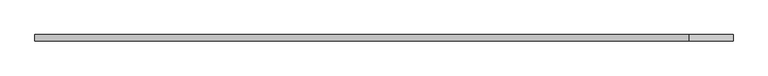
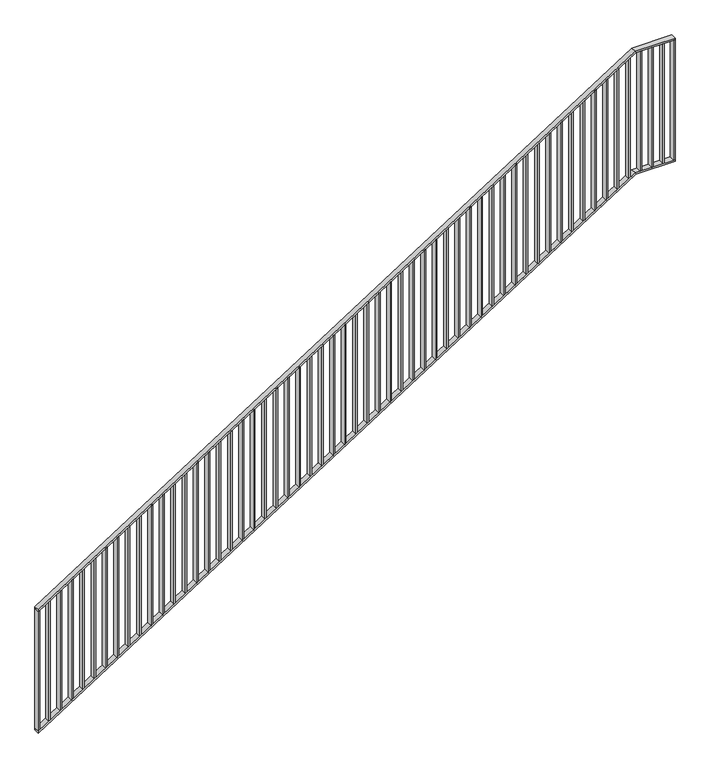
"""IFC4 building model written with IfcOpenShell, lengths in millimetres: railing geometry."""

from ifc_helpers import new_model, si_unit, frame, origin, place, context, project, spatial, polyline, outline, extrude, faceted_brep, source, transform, mapped, element, save


def railing_fcdf70ef(model_context):
    return source(origin(), model_context, "Body", "SolidModel", [
        faceted_brep([(50020.0, 1014.6, 1178.125), (50020.0, 1014.6, 1166.2576574), (50020.0, 974.6, 1166.2576574), (50020.0, 974.6, 1178.125), (54201.25, 1014.6, 3850.0), (54204.1722273, 1014.6, 3840.0), (54204.1722273, 974.6, 3840.0), (54201.25, 974.6, 3850.0), (54480.0, 1014.6, 3850.0), (54480.0, 974.6, 3850.0), (54480.0, 974.6, 3840.0), (54480.0, 1014.6, 3840.0)], [[[0, 1, 2, 3]], [[1, 0, 4, 5]], [[2, 1, 5, 6]], [[3, 2, 6, 7]], [[0, 3, 7, 4]], [[8, 9, 10, 11]], [[5, 4, 8, 11]], [[6, 5, 11, 10]], [[7, 6, 10, 9]], [[4, 7, 9, 8]]]),
        faceted_brep([(50020.0, 1014.6, 278.125), (50020.0, 1014.6, 266.2576574), (50020.0, 974.6, 266.2576574), (50020.0, 974.6, 278.125), (54201.25, 1014.6, 2950.0), (54204.1722273, 1014.6, 2940.0), (54204.1722273, 974.6, 2940.0), (54201.25, 974.6, 2950.0), (54480.0, 1014.6, 2950.0), (54480.0, 974.6, 2950.0), (54480.0, 974.6, 2940.0), (54480.0, 1014.6, 2940.0)], [[[0, 1, 2, 3]], [[1, 0, 4, 5]], [[2, 1, 5, 6]], [[3, 2, 6, 7]], [[0, 3, 7, 4]], [[8, 9, 10, 11]], [[5, 4, 8, 11]], [[6, 5, 11, 10]], [[7, 6, 10, 9]], [[4, 7, 9, 8]]]),
        extrude(outline(polyline([(54395.3571429, 1014.6), (54405.3571429, 1014.6), (54405.3571429, 974.6), (54395.3571429, 974.6), (54395.3571429, 1014.6)])), frame((0.0, 0.0, 2950.0), z_axis=(0.0, 0.0, 1.0), x_axis=(1.0, 0.0, 0.0)), (0.0, 0.0, 1.0), 890.0),
        extrude(outline(polyline([(54315.7142857, 1014.6), (54325.7142857, 1014.6), (54325.7142857, 974.6), (54315.7142857, 974.6), (54315.7142857, 1014.6)])), frame((0.0, 0.0, 2950.0), z_axis=(0.0, 0.0, 1.0), x_axis=(1.0, 0.0, 0.0)), (0.0, 0.0, 1.0), 890.0),
        extrude(outline(polyline([(54236.0714286, 1014.6), (54246.0714286, 1014.6), (54246.0714286, 974.6), (54236.0714286, 974.6), (54236.0714286, 1014.6)])), frame((0.0, 0.0, 2950.0), z_axis=(0.0, 0.0, 1.0), x_axis=(1.0, 0.0, 0.0)), (0.0, 0.0, 1.0), 890.0),
        extrude(outline(polyline([(2921.3585042, 54156.4285714), (2927.7486387, 54166.4285714), (3817.7486387, 54166.4285714), (3811.3585042, 54156.4285714), (2921.3585042, 54156.4285714)])), frame((0.0, 974.6, 0.0), z_axis=(0.0, 1.0, 0.0), x_axis=(0.0, 0.0, 1.0)), (0.0, 0.0, 1.0), 40.0),
        extrude(outline(polyline([(2870.465647, 54076.7857143), (2876.8557816, 54086.7857143), (3766.8557816, 54086.7857143), (3760.465647, 54076.7857143), (2870.465647, 54076.7857143)])), frame((0.0, 974.6, 0.0), z_axis=(0.0, 1.0, 0.0), x_axis=(0.0, 0.0, 1.0)), (0.0, 0.0, 1.0), 40.0),
        extrude(outline(polyline([(2819.5727899, 53997.1428571), (2825.9629244, 54007.1428571), (3715.9629244, 54007.1428571), (3709.5727899, 53997.1428571), (2819.5727899, 53997.1428571)])), frame((0.0, 974.6, 0.0), z_axis=(0.0, 1.0, 0.0), x_axis=(0.0, 0.0, 1.0)), (0.0, 0.0, 1.0), 40.0),
        extrude(outline(polyline([(2768.6799327, 53917.5), (2775.0700673, 53927.5), (3665.0700673, 53927.5), (3658.6799327, 53917.5), (2768.6799327, 53917.5)])), frame((0.0, 974.6, 0.0), z_axis=(0.0, 1.0, 0.0), x_axis=(0.0, 0.0, 1.0)), (0.0, 0.0, 1.0), 40.0),
        extrude(outline(polyline([(2717.7870756, 53837.8571429), (2724.1772101, 53847.8571429), (3614.1772101, 53847.8571429), (3607.7870756, 53837.8571429), (2717.7870756, 53837.8571429)])), frame((0.0, 974.6, 0.0), z_axis=(0.0, 1.0, 0.0), x_axis=(0.0, 0.0, 1.0)), (0.0, 0.0, 1.0), 40.0),
        extrude(outline(polyline([(2666.8942184, 53758.2142857), (2673.284353, 53768.2142857), (3563.284353, 53768.2142857), (3556.8942184, 53758.2142857), (2666.8942184, 53758.2142857)])), frame((0.0, 974.6, 0.0), z_axis=(0.0, 1.0, 0.0), x_axis=(0.0, 0.0, 1.0)), (0.0, 0.0, 1.0), 40.0),
        extrude(outline(polyline([(2616.0013613, 53678.5714286), (2622.3914958, 53688.5714286), (3512.3914958, 53688.5714286), (3506.0013613, 53678.5714286), (2616.0013613, 53678.5714286)])), frame((0.0, 974.6, 0.0), z_axis=(0.0, 1.0, 0.0), x_axis=(0.0, 0.0, 1.0)), (0.0, 0.0, 1.0), 40.0),
        extrude(outline(polyline([(2565.1085042, 53598.9285714), (2571.4986387, 53608.9285714), (3461.4986387, 53608.9285714), (3455.1085042, 53598.9285714), (2565.1085042, 53598.9285714)])), frame((0.0, 974.6, 0.0), z_axis=(0.0, 1.0, 0.0), x_axis=(0.0, 0.0, 1.0)), (0.0, 0.0, 1.0), 40.0),
        extrude(outline(polyline([(2514.215647, 53519.2857143), (2520.6057816, 53529.2857143), (3410.6057816, 53529.2857143), (3404.215647, 53519.2857143), (2514.215647, 53519.2857143)])), frame((0.0, 974.6, 0.0), z_axis=(0.0, 1.0, 0.0), x_axis=(0.0, 0.0, 1.0)), (0.0, 0.0, 1.0), 40.0),
        extrude(outline(polyline([(2463.3227899, 53439.6428571), (2469.7129244, 53449.6428571), (3359.7129244, 53449.6428571), (3353.3227899, 53439.6428571), (2463.3227899, 53439.6428571)])), frame((0.0, 974.6, 0.0), z_axis=(0.0, 1.0, 0.0), x_axis=(0.0, 0.0, 1.0)), (0.0, 0.0, 1.0), 40.0),
        extrude(outline(polyline([(2412.4299327, 53360.0), (2418.8200673, 53370.0), (3308.8200673, 53370.0), (3302.4299327, 53360.0), (2412.4299327, 53360.0)])), frame((0.0, 974.6, 0.0), z_axis=(0.0, 1.0, 0.0), x_axis=(0.0, 0.0, 1.0)), (0.0, 0.0, 1.0), 40.0),
        extrude(outline(polyline([(2361.5370756, 53280.3571429), (2367.9272101, 53290.3571429), (3257.9272101, 53290.3571429), (3251.5370756, 53280.3571429), (2361.5370756, 53280.3571429)])), frame((0.0, 974.6, 0.0), z_axis=(0.0, 1.0, 0.0), x_axis=(0.0, 0.0, 1.0)), (0.0, 0.0, 1.0), 40.0),
        extrude(outline(polyline([(2310.6442184, 53200.7142857), (2317.034353, 53210.7142857), (3207.034353, 53210.7142857), (3200.6442184, 53200.7142857), (2310.6442184, 53200.7142857)])), frame((0.0, 974.6, 0.0), z_axis=(0.0, 1.0, 0.0), x_axis=(0.0, 0.0, 1.0)), (0.0, 0.0, 1.0), 40.0),
        extrude(outline(polyline([(2259.7513613, 53121.0714286), (2266.1414958, 53131.0714286), (3156.1414958, 53131.0714286), (3149.7513613, 53121.0714286), (2259.7513613, 53121.0714286)])), frame((0.0, 974.6, 0.0), z_axis=(0.0, 1.0, 0.0), x_axis=(0.0, 0.0, 1.0)), (0.0, 0.0, 1.0), 40.0),
        extrude(outline(polyline([(2208.8585042, 53041.4285714), (2215.2486387, 53051.4285714), (3105.2486387, 53051.4285714), (3098.8585042, 53041.4285714), (2208.8585042, 53041.4285714)])), frame((0.0, 974.6, 0.0), z_axis=(0.0, 1.0, 0.0), x_axis=(0.0, 0.0, 1.0)), (0.0, 0.0, 1.0), 40.0),
        extrude(outline(polyline([(2157.965647, 52961.7857143), (2164.3557816, 52971.7857143), (3054.3557816, 52971.7857143), (3047.965647, 52961.7857143), (2157.965647, 52961.7857143)])), frame((0.0, 974.6, 0.0), z_axis=(0.0, 1.0, 0.0), x_axis=(0.0, 0.0, 1.0)), (0.0, 0.0, 1.0), 40.0),
        extrude(outline(polyline([(2107.0727899, 52882.1428571), (2113.4629244, 52892.1428571), (3003.4629244, 52892.1428571), (2997.0727899, 52882.1428571), (2107.0727899, 52882.1428571)])), frame((0.0, 974.6, 0.0), z_axis=(0.0, 1.0, 0.0), x_axis=(0.0, 0.0, 1.0)), (0.0, 0.0, 1.0), 40.0),
        extrude(outline(polyline([(2056.1799327, 52802.5), (2062.5700673, 52812.5), (2952.5700673, 52812.5), (2946.1799327, 52802.5), (2056.1799327, 52802.5)])), frame((0.0, 974.6, 0.0), z_axis=(0.0, 1.0, 0.0), x_axis=(0.0, 0.0, 1.0)), (0.0, 0.0, 1.0), 40.0),
        extrude(outline(polyline([(2005.2870756, 52722.8571429), (2011.6772101, 52732.8571429), (2901.6772101, 52732.8571429), (2895.2870756, 52722.8571429), (2005.2870756, 52722.8571429)])), frame((0.0, 974.6, 0.0), z_axis=(0.0, 1.0, 0.0), x_axis=(0.0, 0.0, 1.0)), (0.0, 0.0, 1.0), 40.0),
        extrude(outline(polyline([(1954.3942184, 52643.2142857), (1960.784353, 52653.2142857), (2850.784353, 52653.2142857), (2844.3942184, 52643.2142857), (1954.3942184, 52643.2142857)])), frame((0.0, 974.6, 0.0), z_axis=(0.0, 1.0, 0.0), x_axis=(0.0, 0.0, 1.0)), (0.0, 0.0, 1.0), 40.0),
        extrude(outline(polyline([(1903.5013613, 52563.5714286), (1909.8914958, 52573.5714286), (2799.8914958, 52573.5714286), (2793.5013613, 52563.5714286), (1903.5013613, 52563.5714286)])), frame((0.0, 974.6, 0.0), z_axis=(0.0, 1.0, 0.0), x_axis=(0.0, 0.0, 1.0)), (0.0, 0.0, 1.0), 40.0),
        extrude(outline(polyline([(1852.6085042, 52483.9285714), (1858.9986387, 52493.9285714), (2748.9986387, 52493.9285714), (2742.6085042, 52483.9285714), (1852.6085042, 52483.9285714)])), frame((0.0, 974.6, 0.0), z_axis=(0.0, 1.0, 0.0), x_axis=(0.0, 0.0, 1.0)), (0.0, 0.0, 1.0), 40.0),
        extrude(outline(polyline([(1801.715647, 52404.2857143), (1808.1057816, 52414.2857143), (2698.1057816, 52414.2857143), (2691.715647, 52404.2857143), (1801.715647, 52404.2857143)])), frame((0.0, 974.6, 0.0), z_axis=(0.0, 1.0, 0.0), x_axis=(0.0, 0.0, 1.0)), (0.0, 0.0, 1.0), 40.0),
        extrude(outline(polyline([(1750.8227899, 52324.6428571), (1757.2129244, 52334.6428571), (2647.2129244, 52334.6428571), (2640.8227899, 52324.6428571), (1750.8227899, 52324.6428571)])), frame((0.0, 974.6, 0.0), z_axis=(0.0, 1.0, 0.0), x_axis=(0.0, 0.0, 1.0)), (0.0, 0.0, 1.0), 40.0),
        extrude(outline(polyline([(1699.9299327, 52245.0), (1706.3200673, 52255.0), (2596.3200673, 52255.0), (2589.9299327, 52245.0), (1699.9299327, 52245.0)])), frame((0.0, 974.6, 0.0), z_axis=(0.0, 1.0, 0.0), x_axis=(0.0, 0.0, 1.0)), (0.0, 0.0, 1.0), 40.0),
        extrude(outline(polyline([(1649.0370756, 52165.3571429), (1655.4272101, 52175.3571429), (2545.4272101, 52175.3571429), (2539.0370756, 52165.3571429), (1649.0370756, 52165.3571429)])), frame((0.0, 974.6, 0.0), z_axis=(0.0, 1.0, 0.0), x_axis=(0.0, 0.0, 1.0)), (0.0, 0.0, 1.0), 40.0),
        extrude(outline(polyline([(1598.1442184, 52085.7142857), (1604.534353, 52095.7142857), (2494.534353, 52095.7142857), (2488.1442184, 52085.7142857), (1598.1442184, 52085.7142857)])), frame((0.0, 974.6, 0.0), z_axis=(0.0, 1.0, 0.0), x_axis=(0.0, 0.0, 1.0)), (0.0, 0.0, 1.0), 40.0),
        extrude(outline(polyline([(1547.2513613, 52006.0714286), (1553.6414958, 52016.0714286), (2443.6414958, 52016.0714286), (2437.2513613, 52006.0714286), (1547.2513613, 52006.0714286)])), frame((0.0, 974.6, 0.0), z_axis=(0.0, 1.0, 0.0), x_axis=(0.0, 0.0, 1.0)), (0.0, 0.0, 1.0), 40.0),
        extrude(outline(polyline([(1496.3585042, 51926.4285714), (1502.7486387, 51936.4285714), (2392.7486387, 51936.4285714), (2386.3585042, 51926.4285714), (1496.3585042, 51926.4285714)])), frame((0.0, 974.6, 0.0), z_axis=(0.0, 1.0, 0.0), x_axis=(0.0, 0.0, 1.0)), (0.0, 0.0, 1.0), 40.0),
        extrude(outline(polyline([(1445.465647, 51846.7857143), (1451.8557816, 51856.7857143), (2341.8557816, 51856.7857143), (2335.465647, 51846.7857143), (1445.465647, 51846.7857143)])), frame((0.0, 974.6, 0.0), z_axis=(0.0, 1.0, 0.0), x_axis=(0.0, 0.0, 1.0)), (0.0, 0.0, 1.0), 40.0),
        extrude(outline(polyline([(1394.5727899, 51767.1428571), (1400.9629244, 51777.1428571), (2290.9629244, 51777.1428571), (2284.5727899, 51767.1428571), (1394.5727899, 51767.1428571)])), frame((0.0, 974.6, 0.0), z_axis=(0.0, 1.0, 0.0), x_axis=(0.0, 0.0, 1.0)), (0.0, 0.0, 1.0), 40.0),
        extrude(outline(polyline([(1343.6799327, 51687.5), (1350.0700673, 51697.5), (2240.0700673, 51697.5), (2233.6799327, 51687.5), (1343.6799327, 51687.5)])), frame((0.0, 974.6, 0.0), z_axis=(0.0, 1.0, 0.0), x_axis=(0.0, 0.0, 1.0)), (0.0, 0.0, 1.0), 40.0),
        extrude(outline(polyline([(1292.7870756, 51607.8571429), (1299.1772101, 51617.8571429), (2189.1772101, 51617.8571429), (2182.7870756, 51607.8571429), (1292.7870756, 51607.8571429)])), frame((0.0, 974.6, 0.0), z_axis=(0.0, 1.0, 0.0), x_axis=(0.0, 0.0, 1.0)), (0.0, 0.0, 1.0), 40.0),
        extrude(outline(polyline([(1241.8942184, 51528.2142857), (1248.284353, 51538.2142857), (2138.284353, 51538.2142857), (2131.8942184, 51528.2142857), (1241.8942184, 51528.2142857)])), frame((0.0, 974.6, 0.0), z_axis=(0.0, 1.0, 0.0), x_axis=(0.0, 0.0, 1.0)), (0.0, 0.0, 1.0), 40.0),
        extrude(outline(polyline([(1191.0013613, 51448.5714286), (1197.3914958, 51458.5714286), (2087.3914958, 51458.5714286), (2081.0013613, 51448.5714286), (1191.0013613, 51448.5714286)])), frame((0.0, 974.6, 0.0), z_axis=(0.0, 1.0, 0.0), x_axis=(0.0, 0.0, 1.0)), (0.0, 0.0, 1.0), 40.0),
        extrude(outline(polyline([(1140.1085042, 51368.9285714), (1146.4986387, 51378.9285714), (2036.4986387, 51378.9285714), (2030.1085042, 51368.9285714), (1140.1085042, 51368.9285714)])), frame((0.0, 974.6, 0.0), z_axis=(0.0, 1.0, 0.0), x_axis=(0.0, 0.0, 1.0)), (0.0, 0.0, 1.0), 40.0),
        extrude(outline(polyline([(1089.215647, 51289.2857143), (1095.6057816, 51299.2857143), (1985.6057816, 51299.2857143), (1979.215647, 51289.2857143), (1089.215647, 51289.2857143)])), frame((0.0, 974.6, 0.0), z_axis=(0.0, 1.0, 0.0), x_axis=(0.0, 0.0, 1.0)), (0.0, 0.0, 1.0), 40.0),
        extrude(outline(polyline([(1038.3227899, 51209.6428571), (1044.7129244, 51219.6428571), (1934.7129244, 51219.6428571), (1928.3227899, 51209.6428571), (1038.3227899, 51209.6428571)])), frame((0.0, 974.6, 0.0), z_axis=(0.0, 1.0, 0.0), x_axis=(0.0, 0.0, 1.0)), (0.0, 0.0, 1.0), 40.0),
        extrude(outline(polyline([(987.4299327, 51130.0), (993.8200673, 51140.0), (1883.8200673, 51140.0), (1877.4299327, 51130.0), (987.4299327, 51130.0)])), frame((0.0, 974.6, 0.0), z_axis=(0.0, 1.0, 0.0), x_axis=(0.0, 0.0, 1.0)), (0.0, 0.0, 1.0), 40.0),
        extrude(outline(polyline([(936.5370756, 51050.3571429), (942.9272101, 51060.3571429), (1832.9272101, 51060.3571429), (1826.5370756, 51050.3571429), (936.5370756, 51050.3571429)])), frame((0.0, 974.6, 0.0), z_axis=(0.0, 1.0, 0.0), x_axis=(0.0, 0.0, 1.0)), (0.0, 0.0, 1.0), 40.0),
        extrude(outline(polyline([(885.6442184, 50970.7142857), (892.034353, 50980.7142857), (1782.034353, 50980.7142857), (1775.6442184, 50970.7142857), (885.6442184, 50970.7142857)])), frame((0.0, 974.6, 0.0), z_axis=(0.0, 1.0, 0.0), x_axis=(0.0, 0.0, 1.0)), (0.0, 0.0, 1.0), 40.0),
        extrude(outline(polyline([(834.7513613, 50891.0714286), (841.1414958, 50901.0714286), (1731.1414958, 50901.0714286), (1724.7513613, 50891.0714286), (834.7513613, 50891.0714286)])), frame((0.0, 974.6, 0.0), z_axis=(0.0, 1.0, 0.0), x_axis=(0.0, 0.0, 1.0)), (0.0, 0.0, 1.0), 40.0),
        extrude(outline(polyline([(783.8585042, 50811.4285714), (790.2486387, 50821.4285714), (1680.2486387, 50821.4285714), (1673.8585042, 50811.4285714), (783.8585042, 50811.4285714)])), frame((0.0, 974.6, 0.0), z_axis=(0.0, 1.0, 0.0), x_axis=(0.0, 0.0, 1.0)), (0.0, 0.0, 1.0), 40.0),
        extrude(outline(polyline([(732.965647, 50731.7857143), (739.3557816, 50741.7857143), (1629.3557816, 50741.7857143), (1622.965647, 50731.7857143), (732.965647, 50731.7857143)])), frame((0.0, 974.6, 0.0), z_axis=(0.0, 1.0, 0.0), x_axis=(0.0, 0.0, 1.0)), (0.0, 0.0, 1.0), 40.0),
        extrude(outline(polyline([(682.0727899, 50652.1428571), (688.4629244, 50662.1428571), (1578.4629244, 50662.1428571), (1572.0727899, 50652.1428571), (682.0727899, 50652.1428571)])), frame((0.0, 974.6, 0.0), z_axis=(0.0, 1.0, 0.0), x_axis=(0.0, 0.0, 1.0)), (0.0, 0.0, 1.0), 40.0),
        extrude(outline(polyline([(631.1799327, 50572.5), (637.5700673, 50582.5), (1527.5700673, 50582.5), (1521.1799327, 50572.5), (631.1799327, 50572.5)])), frame((0.0, 974.6, 0.0), z_axis=(0.0, 1.0, 0.0), x_axis=(0.0, 0.0, 1.0)), (0.0, 0.0, 1.0), 40.0),
        extrude(outline(polyline([(580.2870756, 50492.8571429), (586.6772101, 50502.8571429), (1476.6772101, 50502.8571429), (1470.2870756, 50492.8571429), (580.2870756, 50492.8571429)])), frame((0.0, 974.6, 0.0), z_axis=(0.0, 1.0, 0.0), x_axis=(0.0, 0.0, 1.0)), (0.0, 0.0, 1.0), 40.0),
        extrude(outline(polyline([(529.3942184, 50413.2142857), (535.784353, 50423.2142857), (1425.784353, 50423.2142857), (1419.3942184, 50413.2142857), (529.3942184, 50413.2142857)])), frame((0.0, 974.6, 0.0), z_axis=(0.0, 1.0, 0.0), x_axis=(0.0, 0.0, 1.0)), (0.0, 0.0, 1.0), 40.0),
        extrude(outline(polyline([(478.5013613, 50333.5714286), (484.8914958, 50343.5714286), (1374.8914958, 50343.5714286), (1368.5013613, 50333.5714286), (478.5013613, 50333.5714286)])), frame((0.0, 974.6, 0.0), z_axis=(0.0, 1.0, 0.0), x_axis=(0.0, 0.0, 1.0)), (0.0, 0.0, 1.0), 40.0),
        extrude(outline(polyline([(427.6085042, 50253.9285714), (433.9986387, 50263.9285714), (1323.9986387, 50263.9285714), (1317.6085042, 50253.9285714), (427.6085042, 50253.9285714)])), frame((0.0, 974.6, 0.0), z_axis=(0.0, 1.0, 0.0), x_axis=(0.0, 0.0, 1.0)), (0.0, 0.0, 1.0), 40.0),
        extrude(outline(polyline([(376.715647, 50174.2857143), (383.1057816, 50184.2857143), (1273.1057816, 50184.2857143), (1266.715647, 50174.2857143), (376.715647, 50174.2857143)])), frame((0.0, 974.6, 0.0), z_axis=(0.0, 1.0, 0.0), x_axis=(0.0, 0.0, 1.0)), (0.0, 0.0, 1.0), 40.0),
        extrude(outline(polyline([(325.8227899, 50094.6428571), (332.2129244, 50104.6428571), (1222.2129244, 50104.6428571), (1215.8227899, 50094.6428571), (325.8227899, 50094.6428571)])), frame((0.0, 974.6, 0.0), z_axis=(0.0, 1.0, 0.0), x_axis=(0.0, 0.0, 1.0)), (0.0, 0.0, 1.0), 40.0),
        extrude(outline(polyline([(54470.0, 1014.6), (54480.0, 1014.6), (54480.0, 974.6), (54470.0, 974.6), (54470.0, 1014.6)])), frame((0.0, 0.0, 2950.0), z_axis=(0.0, 0.0, 1.0), x_axis=(1.0, 0.0, 0.0)), (0.0, 0.0, 1.0), 890.0),
        extrude(outline(polyline([(278.125, 50020.0), (284.5151345, 50030.0), (1174.5151345, 50030.0), (1168.125, 50020.0), (278.125, 50020.0)])), frame((0.0, 974.6, 0.0), z_axis=(0.0, 1.0, 0.0), x_axis=(0.0, 0.0, 1.0)), (0.0, 0.0, 1.0), 40.0),
    ])


if __name__ == "__main__":
    model = new_model("IFC4")
    model_context = context("Model", 3, world=origin())
    ifc_project = project(units=[si_unit("LENGTHUNIT", "METRE", prefix="MILLI")], contexts=[model_context])
    site = spatial("IfcSite", under=ifc_project)
    building = spatial("IfcBuilding", under=site)
    placement = place(None, origin())
    railing_shape = railing_fcdf70ef(model_context)
    element("IfcRailing", 1, at=placement, inside=building, context=model_context, shape_type="MappedRepresentation", body=[
        mapped(railing_shape, transform((0.0, 0.0, 0.0), x_axis=(1.0, 0.0, 0.0), y_axis=(0.0, 1.0, 0.0), z_axis=(0.0, 0.0, 1.0))),
    ])
    save(model, "model.ifc")
